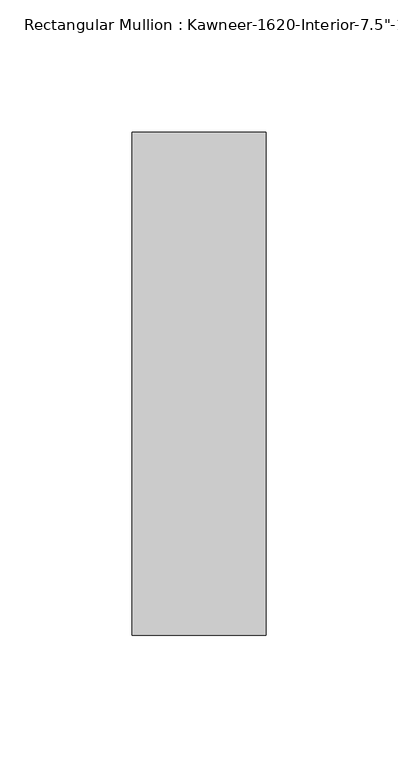
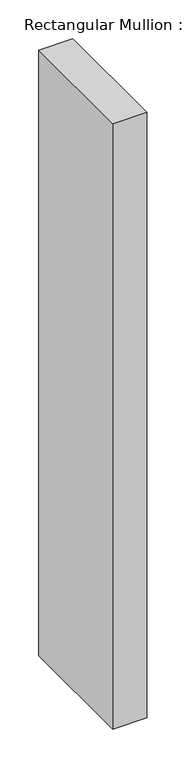
"""IFC4 building model written with IfcOpenShell, lengths in millimetres: member geometry."""

from ifc_helpers import new_model, si_unit, frame, origin, place, context, project, spatial, polyline, outline, extrude, source, transform, mapped, element, save


def member_dadf60ee(model_context):
    return source(origin(), model_context, "Body", "SweptSolid", [
        extrude(outline(polyline([(25.4, -161.925), (-25.4, -161.925), (-25.4, 28.575), (25.4, 28.575), (25.4, -161.925)])), frame((0.0, 0.0, -952.5), z_axis=(0.0, 0.0, 1.0), x_axis=(1.0, 0.0, 0.0)), (0.0, 0.0, 1.0), 952.5),
    ])


if __name__ == "__main__":
    model = new_model("IFC4")
    model_context = context("Model", 3, world=origin())
    ifc_project = project(units=[si_unit("LENGTHUNIT", "METRE", prefix="MILLI")], contexts=[model_context])
    site = spatial("IfcSite", under=ifc_project)
    building = spatial("IfcBuilding", under=site)
    placement = place(None, origin())
    member_shape = member_dadf60ee(model_context)
    element("IfcMember", 1, ObjectType="Rectangular Mullion : Kawneer-1620-Interior-7.5\"-1/4\"Infill", at=placement, inside=building, context=model_context, shape_type="MappedRepresentation", body=[
        mapped(member_shape, transform((0.0, 0.0, 0.0), x_axis=(1.0, 0.0, 0.0), y_axis=(0.0, 1.0, 0.0), z_axis=(0.0, 0.0, 1.0))),
    ])
    save(model, "model.ifc")
